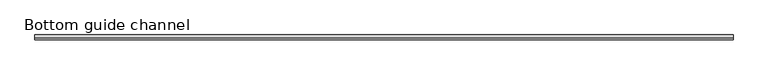
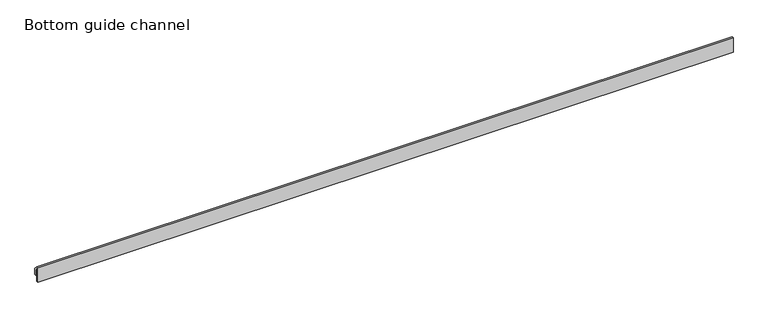
"""IFC4 building model written with IfcOpenShell, lengths in millimetres: proxy geometry, Bottom guide channel."""

from ifc_helpers import new_model, si_unit, frame, origin, place, context, project, spatial, polyline, outline, extrude, source, transform, mapped, element, save


def bottom_guide_channel_e68f8199(model_context):
    return source(origin(), model_context, "Body", "SweptSolid", [
        extrude(outline(polyline([(0.0, 52.0), (5.0, 52.0), (17.0, 40.0), (17.0, 17.0), (13.0, 17.0), (13.0, 36.9289322), (5.0, 44.9289322), (5.0, 0.0), (0.0, 0.0), (0.0, 52.0)])), frame((0.0, 0.0, 0.0), z_axis=(1.0, 0.0, 0.0), x_axis=(0.0, 1.0, 0.0)), (0.0, 0.0, 1.0), 2350.0),
    ])


if __name__ == "__main__":
    model = new_model("IFC4")
    model_context = context("Model", 3, world=origin())
    ifc_project = project(units=[si_unit("LENGTHUNIT", "METRE", prefix="MILLI")], contexts=[model_context])
    site = spatial("IfcSite", under=ifc_project)
    building = spatial("IfcBuilding", under=site)
    placement = place(None, origin())
    bottom_guide_channel_shape = bottom_guide_channel_e68f8199(model_context)
    element("IfcBuildingElementProxy", 1, Name="Bottom guide channel", ObjectType="Bottom guide channel", at=placement, inside=building, context=model_context, shape_type="MappedRepresentation", body=[
        mapped(bottom_guide_channel_shape, transform((0.0, 0.0, 0.0), x_axis=(1.0, 0.0, 0.0), y_axis=(0.0, 1.0, 0.0), z_axis=(0.0, 0.0, 1.0))),
    ])
    save(model, "model.ifc")
